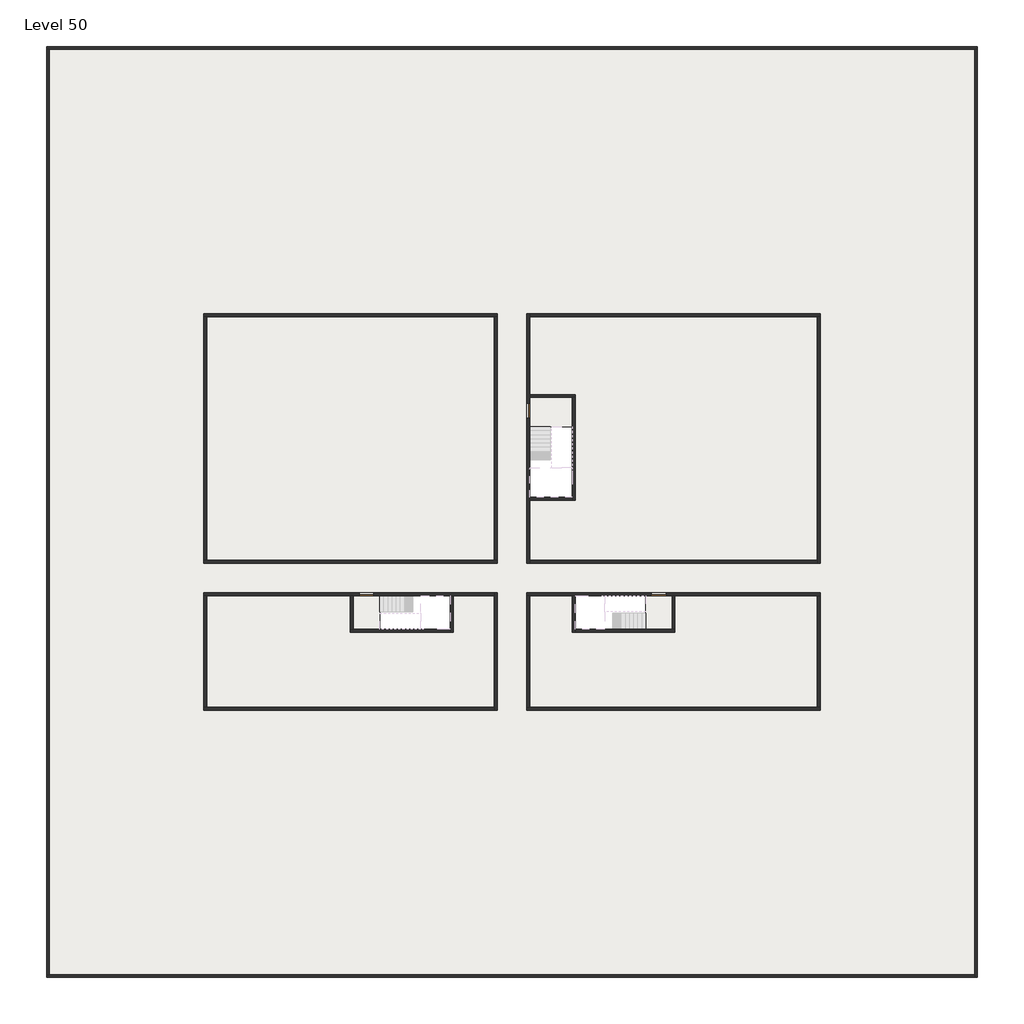
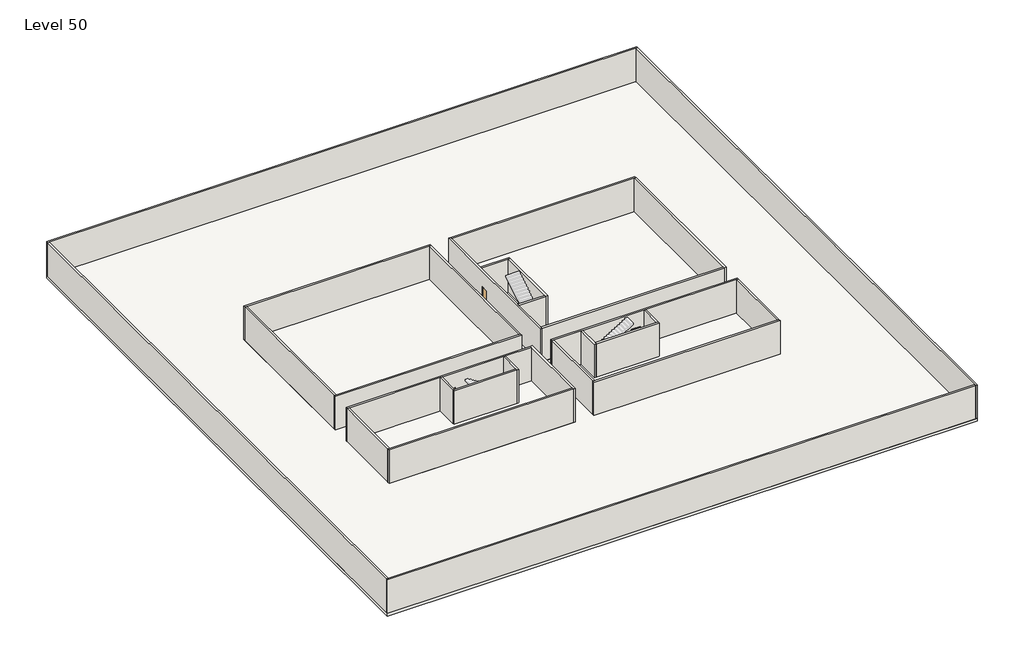
# One storey, part 1 of 2: 29 walls, 3 doors, 3 slabs.
"""IFC4 building model written with IfcOpenShell, lengths in millimetres."""

import ifcopenshell
import ifcopenshell.guid

model = None  # the IFC model being written
_history = None  # IfcOwnerHistory: only IFC2X3 demands one
_inside = {}  # id of a spatial element -> (the spatial element, [elements in it])
_under = {}  # id of a project, library or spatial element -> (it, [spatial elements below it])
_declared = {}  # id of a project -> (the project, [libraries it declares])
_typed = {}  # id of a type object -> (the type object, [elements of that type])
_made_of = {}  # id of a material, layer set ... -> (it, [elements and type objects made of it])


def new_model(schema):
    """Start an empty IFC model of exactly this schema.

    Asked for "IFC4X3", IfcOpenShell would pick the latest addendum, in which some entities
    have other attributes; the version numbers below select the first issue.
    IFC2X3 requires an IfcOwnerHistory on every rooted entity: one is made here for all.
    """
    global model, _history
    if schema == "IFC4X3":
        model = ifcopenshell.file(schema_version=(4, 3, 0, 0))
    else:
        model = ifcopenshell.file(schema=schema)
    _inside.clear()
    _under.clear()
    _declared.clear()
    _typed.clear()
    _made_of.clear()
    _history = None
    if model.schema == "IFC2X3":
        org = make("IfcOrganization", Name="unknown")
        user = make(
            "IfcPersonAndOrganization",
            ThePerson=make("IfcPerson", FamilyName="unknown"),
            TheOrganization=org,
        )
        app = make(
            "IfcApplication",
            ApplicationDeveloper=org,
            Version="unknown",
            ApplicationFullName="unknown",
            ApplicationIdentifier="unknown",
        )
        _history = make(
            "IfcOwnerHistory",
            OwningUser=user,
            OwningApplication=app,
            ChangeAction="ADDED",
            CreationDate=0,
        )
    return model


def make(cls, **values):
    """One entity of the class cls with the attributes given. An attribute that is None is left unset."""
    return model.create_entity(
        cls, **{name: value for name, value in values.items() if value is not None}
    )


def rooted(cls, **values):
    """An entity with a GlobalId (a new one), such as an element, a storey or a relation."""
    return make(cls, GlobalId=ifcopenshell.guid.new(), OwnerHistory=_history, **values)


def si_unit(unit_type, name, prefix=None):
    """IfcSIUnit, for example si_unit("LENGTHUNIT", "METRE", prefix="MILLI")."""
    return make("IfcSIUnit", UnitType=unit_type, Prefix=prefix, Name=name)


def assignment(units):
    """IfcUnitAssignment: the units of a project."""
    return None if units is None else make("IfcUnitAssignment", Units=units)


def point(xyz):
    """IfcCartesianPoint."""
    return None if xyz is None else make("IfcCartesianPoint", Coordinates=xyz)


def direction(xyz):
    """IfcDirection."""
    return None if xyz is None else make("IfcDirection", DirectionRatios=xyz)


def frame(location, z_axis=None, x_axis=None):
    """IfcAxis2Placement3D, a coordinate frame: its origin and axes. An axis left out is left unset."""
    return make(
        "IfcAxis2Placement3D",
        Location=point(location),
        Axis=direction(z_axis),
        RefDirection=direction(x_axis),
    )


def origin():
    """The frame at (0, 0, 0) with its axes left unset."""
    return frame((0.0, 0.0, 0.0))


def origin_with_axes():
    """The frame at (0, 0, 0) with the z axis (0, 0, 1) and the x axis (1, 0, 0) written out."""
    return frame((0.0, 0.0, 0.0), z_axis=(0.0, 0.0, 1.0), x_axis=(1.0, 0.0, 0.0))


def place(relative_to, where):
    """IfcLocalPlacement: puts the frame where relative to a parent placement (None: the world)."""
    return make(
        "IfcLocalPlacement", PlacementRelTo=relative_to, RelativePlacement=where
    )


def context(
    kind, dimensions, precision=None, world=None, true_north=None, identifier=None
):
    """IfcGeometricRepresentationContext, for example the 3D "Model" context."""
    return make(
        "IfcGeometricRepresentationContext",
        ContextIdentifier=identifier,
        ContextType=kind,
        CoordinateSpaceDimension=dimensions,
        Precision=precision,
        WorldCoordinateSystem=world,
        TrueNorth=true_north,
    )


def project(units=None, contexts=None):
    """IfcProject with its units and contexts."""
    return rooted(
        "IfcProject",
        Name="project",
        RepresentationContexts=contexts,
        UnitsInContext=assignment(units),
    )


def spatial(cls, under=None, at=None, **own):
    """A site, building, storey or space (cls), placed at a placement, below another one or the project."""
    s = rooted(cls, ObjectPlacement=at, **own)
    if under is not None:
        _under.setdefault(under.id(), (under, []))[1].append(s)
    return s


def polyline(points):
    """IfcPolyline through the points."""
    return make("IfcPolyline", Points=[point(p) for p in points])


def outline(outer, holes=None, kind="AREA"):
    """IfcArbitraryClosedProfileDef: a profile drawn as a closed curve; with holes, ...WithVoids."""
    if holes is None:
        return make("IfcArbitraryClosedProfileDef", ProfileType=kind, OuterCurve=outer)
    return make(
        "IfcArbitraryProfileDefWithVoids",
        ProfileType=kind,
        OuterCurve=outer,
        InnerCurves=holes,
    )


def extrude(swept, where, along, depth):
    """IfcExtrudedAreaSolid: the profile swept, set in the frame where, extruded along a direction by depth."""
    return make(
        "IfcExtrudedAreaSolid",
        SweptArea=swept,
        Position=where,
        ExtrudedDirection=direction(along),
        Depth=depth,
    )


def faces_of(points, faces, orient=None, outer=None):
    """IfcFace entities. A face is a list of loops; a loop is a list of indices into points, from 0.

    orient and outer hold one flag for each loop. By default every Orientation is true, the
    first loop of a face is its IfcFaceOuterBound and the others are IfcFaceBound.
    """
    made = []
    for i, loops in enumerate(faces):
        bounds = []
        for j, loop in enumerate(loops):
            is_outer = j == 0 if outer is None else outer[i][j]
            bounds.append(
                make(
                    "IfcFaceOuterBound" if is_outer else "IfcFaceBound",
                    Bound=make("IfcPolyLoop", Polygon=[points[k] for k in loop]),
                    Orientation=True if orient is None else orient[i][j],
                )
            )
        made.append(make("IfcFace", Bounds=bounds))
    return made


def faceted_brep(points, faces, orient=None, outer=None, voids=None):
    """IfcFacetedBrep: a solid bounded by flat faces; with voids (closed shells), ...WithVoids."""
    shared = [point(p) for p in points]
    hull = make("IfcClosedShell", CfsFaces=faces_of(shared, faces, orient, outer))
    if voids is None:
        return make("IfcFacetedBrep", Outer=hull)
    return make(
        "IfcFacetedBrepWithVoids",
        Outer=hull,
        Voids=[
            make(cls, CfsFaces=faces_of(shared, fs, o, b)) for cls, fs, o, b in voids
        ],
    )


def shape(context_of_items, identifier, shape_type, items):
    """IfcShapeRepresentation: the items that make up one representation, for example the "Body"."""
    return make(
        "IfcShapeRepresentation",
        ContextOfItems=context_of_items,
        RepresentationIdentifier=identifier,
        RepresentationType=shape_type,
        Items=items,
    )


def source(mapping_origin, context_of_items, identifier, shape_type, items):
    """IfcRepresentationMap: a shape defined once, which mapped items show again and again."""
    return make(
        "IfcRepresentationMap",
        MappingOrigin=mapping_origin,
        MappedRepresentation=shape(context_of_items, identifier, shape_type, items),
    )


def transform(
    local_origin,
    x_axis=None,
    y_axis=None,
    z_axis=None,
    scale=None,
    scale2=None,
    scale3=None,
    uniform=True,
):
    """IfcCartesianTransformationOperator3D, or its non-uniform kind. x_axis, y_axis, z_axis: its Axis1, 2, 3."""
    if uniform:
        return make(
            "IfcCartesianTransformationOperator3D",
            Axis1=direction(x_axis),
            Axis2=direction(y_axis),
            LocalOrigin=point(local_origin),
            Scale=scale,
            Axis3=direction(z_axis),
        )
    return make(
        "IfcCartesianTransformationOperator3DnonUniform",
        Axis1=direction(x_axis),
        Axis2=direction(y_axis),
        LocalOrigin=point(local_origin),
        Scale=scale,
        Axis3=direction(z_axis),
        Scale2=scale2,
        Scale3=scale3,
    )


def mapped(mapping_source, mapping_target):
    """IfcMappedItem: shows the shape of a source again, moved by a transform."""
    return make(
        "IfcMappedItem", MappingSource=mapping_source, MappingTarget=mapping_target
    )


def made_of(thing, what):
    """Note that an element or type object is made of a material, layer set ...; save() writes the relation."""
    if what is not None:
        _made_of.setdefault(what.id(), (what, []))[1].append(thing)
    return thing


def element(
    cls,
    number,
    at=None,
    inside=None,
    cuts=None,
    type_object=None,
    material=None,
    context=None,
    identifier="Body",
    shape_type=None,
    held_by="IfcProductDefinitionShape",
    body=None,
    shapes=None,
    **own,
):
    """One element of the class cls, such as IfcWall. Its Tag is "e" and its number.

    at: its placement. inside: the storey or other place that contains it. cuts: it is an
    opening in that element (IfcRelVoidsElement). A single representation is given by context,
    identifier, shape_type and body (its items); several are given by shapes. held_by: the class
    of the entity that holds the representations. save() writes the other relations.
    """
    e = rooted(cls, Tag="e%d" % number, ObjectPlacement=at, **own)
    if body is not None:
        shapes = [shape(context, identifier, shape_type, body)]
    if shapes is not None:
        e.Representation = make(held_by, Representations=shapes)
    if inside is not None:
        _inside.setdefault(inside.id(), (inside, []))[1].append(e)
    if cuts is not None:
        rooted(
            "IfcRelVoidsElement", RelatingBuildingElement=cuts, RelatedOpeningElement=e
        )
    if type_object is not None:
        _typed.setdefault(type_object.id(), (type_object, []))[1].append(e)
    return made_of(e, material)


def aggregate(whole, parts):
    """IfcRelAggregates: a whole, such as a stair, and the parts it consists of."""
    return rooted("IfcRelAggregates", RelatingObject=whole, RelatedObjects=parts)


def save(model, path):
    """Write the relations noted so far, then the file.

    IfcRelAggregates (storeys below a building ...), IfcRelContainedInSpatialStructure (elements
    in a storey), IfcRelDefinesByType, IfcRelAssociatesMaterial and IfcRelDeclares: one each for
    every whole, place, type object, material and project.
    """
    for whole, parts in _under.values():
        aggregate(whole, parts)
    for where, things in _inside.values():
        rooted(
            "IfcRelContainedInSpatialStructure",
            RelatedElements=things,
            RelatingStructure=where,
        )
    for kind, things in _typed.values():
        rooted("IfcRelDefinesByType", RelatedObjects=things, RelatingType=kind)
    for what, things in _made_of.values():
        rooted("IfcRelAssociatesMaterial", RelatedObjects=things, RelatingMaterial=what)
    for by, libraries in _declared.values():
        rooted("IfcRelDeclares", RelatingContext=by, RelatedDefinitions=libraries)
    model.write(path)


def door_fb3c37fd(model_context):
    return source(origin(), model_context, "Body", "SweptSolid", [
        extrude(outline(polyline([(500.0, 49.0), (-500.0, 49.0), (-500.0, 100.0), (500.0, 100.0), (500.0, 49.0)])), origin_with_axes(), (0.0, 0.0, 1.0), 2100.0),
    ])


def door_0317a72c(model_context):
    return source(origin(), model_context, "Body", "SweptSolid", [
        extrude(outline(polyline([(500.0, -49.0), (500.0, -100.0), (-500.0, -100.0), (-500.0, -49.0), (500.0, -49.0)])), origin_with_axes(), (0.0, 0.0, 1.0), 2100.0),
    ])


model = new_model("IFC4")

# Units and contexts
model_context = context("Model", 3, world=origin())
ifc_project = project(units=[si_unit("LENGTHUNIT", "METRE", prefix="MILLI")], contexts=[model_context])

# Site, building, storey
site = spatial("IfcSite", under=ifc_project)
building = spatial("IfcBuilding", under=site)
storey = spatial("IfcBuildingStorey", under=building, Name="Level 50", Elevation=186200.0)

# Doors
placement = place(None, origin())
door_shape = door_fb3c37fd(model_context)
element("IfcDoor", 1, at=placement, inside=storey, context=model_context, shape_type="MappedRepresentation", body=[
    mapped(door_shape, transform((14290.1058784, -42818.09644, 186200.0), x_axis=(-1.0, 0.0, 0.0), y_axis=(0.0, -1.0, 0.0), z_axis=(0.0, 0.0, 1.0))),
])
door_2_shape = door_0317a72c(model_context)
element("IfcDoor", 2, at=placement, inside=storey, context=model_context, shape_type="MappedRepresentation", body=[
    mapped(door_2_shape, transform((25290.1058784, -30318.09644, 186200.0), x_axis=(0.0, 1.0, 0.0), y_axis=(-1.0, 0.0, 0.0), z_axis=(0.0, 0.0, 1.0))),
])
element("IfcDoor", 3, at=placement, inside=storey, context=model_context, shape_type="MappedRepresentation", body=[
    mapped(door_2_shape, transform((34190.1058784, -42818.09644, 186200.0), x_axis=(1.0, 0.0, 0.0), y_axis=(0.0, 1.0, 0.0), z_axis=(0.0, 0.0, 1.0))),
])

# Slabs
element("IfcSlab", 4, at=placement, inside=storey, context=model_context, shape_type="SweptSolid", body=[
    extrude(outline(polyline([(55890.1058784, -5518.09644), (55890.1058784, -68918.09644), (-7509.8941216, -68918.09644), (-7509.8941216, -5518.09644), (55890.1058784, -5518.09644)]), holes=[polyline([(23190.1058784, -23718.09644), (3190.1058784, -23718.09644), (3190.1058784, -40718.09644), (23190.1058784, -40718.09644), (23190.1058784, -23718.09644)]), polyline([(45190.1058784, -23718.09644), (25190.1058784, -23718.09644), (25190.1058784, -40718.09644), (45190.1058784, -40718.09644), (45190.1058784, -23718.09644)]), polyline([(23190.1058784, -50718.09644), (23190.1058784, -42718.09644), (3390.1058784, -42718.09644), (3390.1058784, -50718.09644), (23190.1058784, -50718.09644)]), polyline([(25190.1058784, -50718.09644), (45190.1058784, -50718.09644), (45190.1058784, -42718.09644), (25190.1058784, -42718.09644), (25190.1058784, -50718.09644)])]), frame((0.0, 0.0, 185900.0), z_axis=(0.0, 0.0, 1.0), x_axis=(1.0, 0.0, 0.0)), (0.0, 0.0, 1.0), 300.0),
])
element("IfcSlab", 5, at=placement, inside=storey, context=model_context, shape_type="SweptSolid", body=[
    extrude(outline(polyline([(22990.1058784, -23918.09644), (22990.1058784, -40518.09644), (3390.1058784, -40518.09644), (3390.1058784, -23918.09644), (22990.1058784, -23918.09644)])), frame((0.0, 0.0, 185900.0), z_axis=(0.0, 0.0, 1.0), x_axis=(1.0, 0.0, 0.0)), (0.0, 0.0, 1.0), 300.0),
    extrude(outline(polyline([(44990.1058784, -23918.09644), (44990.1058784, -40518.09644), (25390.1058784, -40518.09644), (25390.1058784, -36418.09644), (28490.1058784, -36418.09644), (28490.1058784, -29218.09644), (25390.1058784, -29218.09644), (25390.1058784, -23918.09644), (44990.1058784, -23918.09644)])), frame((0.0, 0.0, 185900.0), z_axis=(0.0, 0.0, 1.0), x_axis=(1.0, 0.0, 0.0)), (0.0, 0.0, 1.0), 300.0),
    extrude(outline(polyline([(22990.1058784, -42918.09644), (22990.1058784, -50518.09644), (3390.1058784, -50518.09644), (3390.1058784, -42918.09644), (13190.1058784, -42918.09644), (13190.1058784, -45418.09644), (20190.1058784, -45418.09644), (20190.1058784, -42918.09644), (22990.1058784, -42918.09644)])), frame((0.0, 0.0, 185900.0), z_axis=(0.0, 0.0, 1.0), x_axis=(1.0, 0.0, 0.0)), (0.0, 0.0, 1.0), 300.0),
    extrude(outline(polyline([(28290.1058784, -42918.09644), (28290.1058784, -45418.09644), (35290.1058784, -45418.09644), (35290.1058784, -42918.09644), (45090.1058784, -42918.09644), (45090.1058784, -50518.09644), (25390.1058784, -50518.09644), (25390.1058784, -42918.09644), (28290.1058784, -42918.09644)])), frame((0.0, 0.0, 185900.0), z_axis=(0.0, 0.0, 1.0), x_axis=(1.0, 0.0, 0.0)), (0.0, 0.0, 1.0), 300.0),
])
element("IfcSlab", 6, at=placement, inside=storey, context=model_context, shape_type="SweptSolid", body=[
    extrude(outline(polyline([(25190.1058784, -29418.09644), (28290.1058784, -29418.09644), (28290.1058784, -31418.09644), (25190.1058784, -31418.09644), (25190.1058784, -29418.09644)])), frame((0.0, 0.0, 185900.0), z_axis=(0.0, 0.0, 1.0), x_axis=(1.0, 0.0, 0.0)), (0.0, 0.0, 1.0), 300.0),
    extrude(outline(polyline([(15190.1058784, -45218.09644), (13390.1058784, -45218.09644), (13390.1058784, -42718.09644), (15190.1058784, -42718.09644), (15190.1058784, -45218.09644)])), frame((0.0, 0.0, 185900.0), z_axis=(0.0, 0.0, 1.0), x_axis=(1.0, 0.0, 0.0)), (0.0, 0.0, 1.0), 300.0),
    extrude(outline(polyline([(35090.1058784, -45218.09644), (33290.1058784, -45218.09644), (33290.1058784, -42718.09644), (35090.1058784, -42718.09644), (35090.1058784, -45218.09644)])), frame((0.0, 0.0, 185900.0), z_axis=(0.0, 0.0, 1.0), x_axis=(1.0, 0.0, 0.0)), (0.0, 0.0, 1.0), 300.0),
])

# Walls
element("IfcWall", 7, at=placement, inside=storey, context=model_context, shape_type="Brep", body=[
    faceted_brep([(-7509.8941216, -5718.09644, 186200.0), (-7309.8941216, -5718.09644, 186200.0), (55690.1058784, -5718.09644, 186200.0), (55890.1058784, -5718.09644, 186200.0), (55890.1058784, -5718.09644, 190000.0), (55690.1058784, -5718.09644, 190000.0), (-7309.8941216, -5718.09644, 190000.0), (-7509.8941216, -5718.09644, 190000.0), (-7509.8941216, -5518.09644, 186200.0), (-7509.8941216, -5518.09644, 190000.0), (55890.1058784, -5518.09644, 190000.0), (55890.1058784, -5518.09644, 186200.0)], [[[0, 1, 2, 3, 4, 5, 6, 7]], [[8, 9, 10, 11]], [[3, 2, 1, 0, 8, 11]], [[7, 6, 5, 4, 10, 9]], [[4, 3, 11, 10]], [[0, 7, 9, 8]]]),
])
element("IfcWall", 8, at=placement, inside=storey, context=model_context, shape_type="Brep", body=[
    faceted_brep([(55690.1058784, -5718.09644, 186200.0), (55690.1058784, -68718.09644, 186200.0), (55690.1058784, -68918.09644, 186200.0), (55690.1058784, -68918.09644, 190000.0), (55690.1058784, -68718.09644, 190000.0), (55690.1058784, -5718.09644, 190000.0), (55890.1058784, -5718.09644, 186200.0), (55890.1058784, -5718.09644, 190000.0), (55890.1058784, -68918.09644, 190000.0), (55890.1058784, -68918.09644, 186200.0)], [[[0, 1, 2, 3, 4, 5]], [[6, 7, 8, 9]], [[2, 1, 0, 6, 9]], [[5, 4, 3, 8, 7]], [[0, 5, 7, 6]], [[3, 2, 9, 8]]]),
])
element("IfcWall", 9, at=placement, inside=storey, context=model_context, shape_type="Brep", body=[
    faceted_brep([(55690.1058784, -68718.09644, 186200.0), (-7309.8941216, -68718.09644, 186200.0), (-7509.8941216, -68718.09644, 186200.0), (-7509.8941216, -68718.09644, 190000.0), (-7309.8941216, -68718.09644, 190000.0), (55690.1058784, -68718.09644, 190000.0), (55690.1058784, -68918.09644, 186200.0), (55690.1058784, -68918.09644, 190000.0), (-7509.8941216, -68918.09644, 190000.0), (-7509.8941216, -68918.09644, 186200.0)], [[[0, 1, 2, 3, 4, 5]], [[6, 7, 8, 9]], [[2, 1, 0, 6, 9]], [[5, 4, 3, 8, 7]], [[0, 5, 7, 6]], [[3, 2, 9, 8]]]),
])
element("IfcWall", 10, at=placement, inside=storey, context=model_context, shape_type="SweptSolid", body=[
    extrude(outline(polyline([(-7309.8941216, -5718.09644), (-7309.8941216, -68718.09644), (-7509.8941216, -68718.09644), (-7509.8941216, -5718.09644), (-7309.8941216, -5718.09644)])), frame((0.0, 0.0, 186200.0), z_axis=(0.0, 0.0, 1.0), x_axis=(1.0, 0.0, 0.0)), (0.0, 0.0, 1.0), 3800.0),
])
element("IfcWall", 11, at=placement, inside=storey, context=model_context, shape_type="Brep", body=[
    faceted_brep([(3190.1058784, -23918.09644, 186200.0), (3390.1058784, -23918.09644, 186200.0), (22990.1058784, -23918.09644, 186200.0), (23190.1058784, -23918.09644, 186200.0), (23190.1058784, -23918.09644, 190000.0), (22990.1058784, -23918.09644, 190000.0), (3390.1058784, -23918.09644, 190000.0), (3190.1058784, -23918.09644, 190000.0), (3190.1058784, -23718.09644, 186200.0), (3190.1058784, -23718.09644, 190000.0), (23190.1058784, -23718.09644, 190000.0), (23190.1058784, -23718.09644, 186200.0)], [[[0, 1, 2, 3, 4, 5, 6, 7]], [[8, 9, 10, 11]], [[3, 2, 1, 0, 8, 11]], [[7, 6, 5, 4, 10, 9]], [[0, 7, 9, 8]], [[4, 3, 11, 10]]]),
])
element("IfcWall", 12, at=placement, inside=storey, context=model_context, shape_type="Brep", body=[
    faceted_brep([(44990.1058784, -23918.09644, 186200.0), (44990.1058784, -40518.09644, 186200.0), (44990.1058784, -40718.09644, 186200.0), (44990.1058784, -40718.09644, 190000.0), (44990.1058784, -40518.09644, 190000.0), (44990.1058784, -23918.09644, 190000.0), (45190.1058784, -23918.09644, 186200.0), (45190.1058784, -23918.09644, 190000.0), (45190.1058784, -40718.09644, 190000.0), (45190.1058784, -40718.09644, 186200.0)], [[[0, 1, 2, 3, 4, 5]], [[6, 7, 8, 9]], [[2, 1, 0, 6, 9]], [[5, 4, 3, 8, 7]], [[0, 5, 7, 6]], [[3, 2, 9, 8]]]),
])
element("IfcWall", 13, at=placement, inside=storey, context=model_context, shape_type="Brep", body=[
    faceted_brep([(45190.1058784, -50518.09644, 186200.0), (44990.1058784, -50518.09644, 186200.0), (25390.1058784, -50518.09644, 186200.0), (25190.1058784, -50518.09644, 186200.0), (25190.1058784, -50518.09644, 190000.0), (25390.1058784, -50518.09644, 190000.0), (44990.1058784, -50518.09644, 190000.0), (45190.1058784, -50518.09644, 190000.0), (45190.1058784, -50718.09644, 186200.0), (45190.1058784, -50718.09644, 190000.0), (25190.1058784, -50718.09644, 190000.0), (25190.1058784, -50718.09644, 186200.0)], [[[0, 1, 2, 3, 4, 5, 6, 7]], [[8, 9, 10, 11]], [[3, 2, 1, 0, 8, 11]], [[7, 6, 5, 4, 10, 9]], [[4, 3, 11, 10]], [[0, 7, 9, 8]]]),
])
element("IfcWall", 14, at=placement, inside=storey, context=model_context, shape_type="SweptSolid", body=[
    extrude(outline(polyline([(22990.1058784, -40518.09644), (22990.1058784, -23918.09644), (23190.1058784, -23918.09644), (23190.1058784, -40518.09644), (22990.1058784, -40518.09644)])), frame((0.0, 0.0, 186200.0), z_axis=(0.0, 0.0, 1.0), x_axis=(1.0, 0.0, 0.0)), (0.0, 0.0, 1.0), 3800.0),
])
element("IfcWall", 15, at=placement, inside=storey, context=model_context, shape_type="Brep", body=[
    faceted_brep([(23190.1058784, -40518.09644, 186200.0), (22990.1058784, -40518.09644, 186200.0), (3390.1058784, -40518.09644, 186200.0), (3190.1058784, -40518.09644, 186200.0), (3190.1058784, -40518.09644, 190000.0), (3390.1058784, -40518.09644, 190000.0), (22990.1058784, -40518.09644, 190000.0), (23190.1058784, -40518.09644, 190000.0), (23190.1058784, -40718.09644, 186200.0), (23190.1058784, -40718.09644, 190000.0), (3190.1058784, -40718.09644, 190000.0), (3190.1058784, -40718.09644, 186200.0)], [[[0, 1, 2, 3, 4, 5, 6, 7]], [[8, 9, 10, 11]], [[3, 2, 1, 0, 8, 11]], [[7, 6, 5, 4, 10, 9]], [[4, 3, 11, 10]], [[0, 7, 9, 8]]]),
])
element("IfcWall", 16, at=placement, inside=storey, context=model_context, shape_type="Brep", body=[
    faceted_brep([(3190.1058784, -42918.09644, 186200.0), (3390.1058784, -42918.09644, 186200.0), (13190.1058784, -42918.09644, 186200.0), (13390.1058784, -42918.09644, 186200.0), (13790.1058784, -42918.09644, 186200.0), (13790.1058784, -42918.09644, 188300.0), (14790.1058784, -42918.09644, 188300.0), (14790.1058784, -42918.09644, 186200.0), (19990.1058784, -42918.09644, 186200.0), (20190.1058784, -42918.09644, 186200.0), (22990.1058784, -42918.09644, 186200.0), (22990.1058784, -42918.09644, 190000.0), (20190.1058784, -42918.09644, 190000.0), (19990.1058784, -42918.09644, 190000.0), (13390.1058784, -42918.09644, 190000.0), (13190.1058784, -42918.09644, 190000.0), (3390.1058784, -42918.09644, 190000.0), (3190.1058784, -42918.09644, 190000.0), (13790.1058784, -42718.09644, 188300.0), (13790.1058784, -42718.09644, 186200.0), (3190.1058784, -42718.09644, 186200.0), (3190.1058784, -42718.09644, 190000.0), (22990.1058784, -42718.09644, 190000.0), (22990.1058784, -42718.09644, 186200.0), (14790.1058784, -42718.09644, 186200.0), (14790.1058784, -42718.09644, 188300.0)], [[[0, 1, 2, 3, 4, 5, 6, 7, 8, 9, 10, 11, 12, 13, 14, 15, 16, 17]], [[18, 19, 20, 21, 22, 23, 24, 25]], [[24, 23, 10, 9, 8, 7]], [[20, 19, 4, 3, 2, 1, 0]], [[17, 16, 15, 14, 13, 12, 11, 22, 21]], [[0, 17, 21, 20]], [[11, 10, 23, 22]], [[5, 4, 19, 18]], [[6, 5, 18, 25]], [[7, 6, 25, 24]]]),
])
element("IfcWall", 17, at=placement, inside=storey, context=model_context, shape_type="SweptSolid", body=[
    extrude(outline(polyline([(25390.1058784, -40518.09644), (44990.1058784, -40518.09644), (44990.1058784, -40718.09644), (25390.1058784, -40718.09644), (25390.1058784, -40518.09644)])), frame((0.0, 0.0, 186200.0), z_axis=(0.0, 0.0, 1.0), x_axis=(1.0, 0.0, 0.0)), (0.0, 0.0, 1.0), 3800.0),
])
element("IfcWall", 18, at=placement, inside=storey, context=model_context, shape_type="Brep", body=[
    faceted_brep([(25390.1058784, -29818.09644, 188300.0), (25390.1058784, -29818.09644, 186200.0), (25390.1058784, -29418.09644, 186200.0), (25390.1058784, -29218.09644, 186200.0), (25390.1058784, -23918.09644, 186200.0), (25390.1058784, -23718.09644, 186200.0), (25390.1058784, -23718.09644, 190000.0), (25390.1058784, -23918.09644, 190000.0), (25390.1058784, -29218.09644, 190000.0), (25390.1058784, -29418.09644, 190000.0), (25390.1058784, -36218.09644, 190000.0), (25390.1058784, -36418.09644, 190000.0), (25390.1058784, -40518.09644, 190000.0), (25390.1058784, -40718.09644, 190000.0), (25390.1058784, -40718.09644, 186200.0), (25390.1058784, -40518.09644, 186200.0), (25390.1058784, -36418.09644, 186200.0), (25390.1058784, -36218.09644, 186200.0), (25390.1058784, -30818.09644, 186200.0), (25390.1058784, -30818.09644, 188300.0), (25190.1058784, -23718.09644, 186200.0), (25190.1058784, -29818.09644, 186200.0), (25190.1058784, -29818.09644, 188300.0), (25190.1058784, -30818.09644, 188300.0), (25190.1058784, -30818.09644, 186200.0), (25190.1058784, -40718.09644, 186200.0), (25190.1058784, -40718.09644, 190000.0), (25190.1058784, -23718.09644, 190000.0)], [[[0, 1, 2, 3, 4, 5, 6, 7, 8, 9, 10, 11, 12, 13, 14, 15, 16, 17, 18, 19]], [[20, 21, 22, 23, 24, 25, 26, 27]], [[5, 4, 3, 2, 1, 21, 20]], [[18, 17, 16, 15, 14, 25, 24]], [[13, 12, 11, 10, 9, 8, 7, 6, 27, 26]], [[14, 13, 26, 25]], [[6, 5, 20, 27]], [[22, 21, 1, 0]], [[23, 22, 0, 19]], [[24, 23, 19, 18]]]),
])
element("IfcWall", 19, at=placement, inside=storey, context=model_context, shape_type="SweptSolid", body=[
    extrude(outline(polyline([(3390.1058784, -23918.09644), (3390.1058784, -40518.09644), (3190.1058784, -40518.09644), (3190.1058784, -23918.09644), (3390.1058784, -23918.09644)])), frame((0.0, 0.0, 186200.0), z_axis=(0.0, 0.0, 1.0), x_axis=(1.0, 0.0, 0.0)), (0.0, 0.0, 1.0), 3800.0),
])
element("IfcWall", 20, at=placement, inside=storey, context=model_context, shape_type="Brep", body=[
    faceted_brep([(25390.1058784, -23918.09644, 186200.0), (44990.1058784, -23918.09644, 186200.0), (45190.1058784, -23918.09644, 186200.0), (45190.1058784, -23918.09644, 190000.0), (44990.1058784, -23918.09644, 190000.0), (25390.1058784, -23918.09644, 190000.0), (25390.1058784, -23718.09644, 186200.0), (25390.1058784, -23718.09644, 190000.0), (45190.1058784, -23718.09644, 190000.0), (45190.1058784, -23718.09644, 186200.0)], [[[0, 1, 2, 3, 4, 5]], [[6, 7, 8, 9]], [[2, 1, 0, 6, 9]], [[5, 4, 3, 8, 7]], [[3, 2, 9, 8]], [[0, 5, 7, 6]]]),
])
element("IfcWall", 21, at=placement, inside=storey, context=model_context, shape_type="Brep", body=[
    faceted_brep([(25390.1058784, -29418.09644, 186200.0), (28290.1058784, -29418.09644, 186200.0), (28490.1058784, -29418.09644, 186200.0), (28490.1058784, -29418.09644, 190000.0), (28290.1058784, -29418.09644, 190000.0), (25390.1058784, -29418.09644, 190000.0), (25390.1058784, -29218.09644, 186200.0), (25390.1058784, -29218.09644, 190000.0), (28490.1058784, -29218.09644, 190000.0), (28490.1058784, -29218.09644, 186200.0)], [[[0, 1, 2, 3, 4, 5]], [[6, 7, 8, 9]], [[2, 1, 0, 6, 9]], [[5, 4, 3, 8, 7]], [[3, 2, 9, 8]], [[0, 5, 7, 6]]]),
])
element("IfcWall", 22, at=placement, inside=storey, context=model_context, shape_type="Brep", body=[
    faceted_brep([(28290.1058784, -29418.09644, 186200.0), (28290.1058784, -36218.09644, 186200.0), (28290.1058784, -36418.09644, 186200.0), (28290.1058784, -36418.09644, 190000.0), (28290.1058784, -36218.09644, 190000.0), (28290.1058784, -29418.09644, 190000.0), (28490.1058784, -29418.09644, 186200.0), (28490.1058784, -29418.09644, 190000.0), (28490.1058784, -36418.09644, 190000.0), (28490.1058784, -36418.09644, 186200.0)], [[[0, 1, 2, 3, 4, 5]], [[6, 7, 8, 9]], [[2, 1, 0, 6, 9]], [[5, 4, 3, 8, 7]], [[3, 2, 9, 8]], [[0, 5, 7, 6]]]),
])
element("IfcWall", 23, at=placement, inside=storey, context=model_context, shape_type="SweptSolid", body=[
    extrude(outline(polyline([(25390.1058784, -36218.09644), (28290.1058784, -36218.09644), (28290.1058784, -36418.09644), (25390.1058784, -36418.09644), (25390.1058784, -36218.09644)])), frame((0.0, 0.0, 186200.0), z_axis=(0.0, 0.0, 1.0), x_axis=(1.0, 0.0, 0.0)), (0.0, 0.0, 1.0), 3800.0),
])
element("IfcWall", 24, at=placement, inside=storey, context=model_context, shape_type="SweptSolid", body=[
    extrude(outline(polyline([(25190.1058784, -50518.09644), (25190.1058784, -42918.09644), (25390.1058784, -42918.09644), (25390.1058784, -50518.09644), (25190.1058784, -50518.09644)])), frame((0.0, 0.0, 186200.0), z_axis=(0.0, 0.0, 1.0), x_axis=(1.0, 0.0, 0.0)), (0.0, 0.0, 1.0), 3800.0),
])
element("IfcWall", 25, at=placement, inside=storey, context=model_context, shape_type="Brep", body=[
    faceted_brep([(22990.1058784, -42718.09644, 186200.0), (22990.1058784, -42918.09644, 186200.0), (22990.1058784, -50518.09644, 186200.0), (22990.1058784, -50718.09644, 186200.0), (22990.1058784, -50718.09644, 190000.0), (22990.1058784, -50518.09644, 190000.0), (22990.1058784, -42918.09644, 190000.0), (22990.1058784, -42718.09644, 190000.0), (23190.1058784, -42718.09644, 186200.0), (23190.1058784, -42718.09644, 190000.0), (23190.1058784, -50718.09644, 190000.0), (23190.1058784, -50718.09644, 186200.0)], [[[0, 1, 2, 3, 4, 5, 6, 7]], [[8, 9, 10, 11]], [[3, 2, 1, 0, 8, 11]], [[7, 6, 5, 4, 10, 9]], [[4, 3, 11, 10]], [[0, 7, 9, 8]]]),
])
element("IfcWall", 26, at=placement, inside=storey, context=model_context, shape_type="Brep", body=[
    faceted_brep([(34690.1058784, -42918.09644, 188300.0), (34690.1058784, -42918.09644, 186200.0), (35090.1058784, -42918.09644, 186200.0), (35290.1058784, -42918.09644, 186200.0), (44990.1058784, -42918.09644, 186200.0), (45190.1058784, -42918.09644, 186200.0), (45190.1058784, -42918.09644, 190000.0), (44990.1058784, -42918.09644, 190000.0), (35290.1058784, -42918.09644, 190000.0), (35090.1058784, -42918.09644, 190000.0), (28490.1058784, -42918.09644, 190000.0), (28290.1058784, -42918.09644, 190000.0), (25390.1058784, -42918.09644, 190000.0), (25190.1058784, -42918.09644, 190000.0), (25190.1058784, -42918.09644, 186200.0), (25390.1058784, -42918.09644, 186200.0), (28290.1058784, -42918.09644, 186200.0), (28490.1058784, -42918.09644, 186200.0), (33690.1058784, -42918.09644, 186200.0), (33690.1058784, -42918.09644, 188300.0), (45190.1058784, -42718.09644, 186200.0), (34690.1058784, -42718.09644, 186200.0), (34690.1058784, -42718.09644, 188300.0), (33690.1058784, -42718.09644, 188300.0), (33690.1058784, -42718.09644, 186200.0), (25190.1058784, -42718.09644, 186200.0), (25190.1058784, -42718.09644, 190000.0), (45190.1058784, -42718.09644, 190000.0)], [[[0, 1, 2, 3, 4, 5, 6, 7, 8, 9, 10, 11, 12, 13, 14, 15, 16, 17, 18, 19]], [[20, 21, 22, 23, 24, 25, 26, 27]], [[5, 4, 3, 2, 1, 21, 20]], [[18, 17, 16, 15, 14, 25, 24]], [[13, 12, 11, 10, 9, 8, 7, 6, 27, 26]], [[14, 13, 26, 25]], [[6, 5, 20, 27]], [[22, 21, 1, 0]], [[23, 22, 0, 19]], [[24, 23, 19, 18]]]),
])
element("IfcWall", 27, at=placement, inside=storey, context=model_context, shape_type="Brep", body=[
    faceted_brep([(22990.1058784, -50518.09644, 186200.0), (3390.1058784, -50518.09644, 186200.0), (3190.1058784, -50518.09644, 186200.0), (3190.1058784, -50518.09644, 190000.0), (3390.1058784, -50518.09644, 190000.0), (22990.1058784, -50518.09644, 190000.0), (22990.1058784, -50718.09644, 186200.0), (22990.1058784, -50718.09644, 190000.0), (3190.1058784, -50718.09644, 190000.0), (3190.1058784, -50718.09644, 186200.0)], [[[0, 1, 2, 3, 4, 5]], [[6, 7, 8, 9]], [[2, 1, 0, 6, 9]], [[5, 4, 3, 8, 7]], [[0, 5, 7, 6]], [[3, 2, 9, 8]]]),
])
element("IfcWall", 28, at=placement, inside=storey, context=model_context, shape_type="Brep", body=[
    faceted_brep([(28290.1058784, -42918.09644, 186200.0), (28290.1058784, -45418.09644, 186200.0), (28290.1058784, -45418.09644, 190000.0), (28290.1058784, -42918.09644, 190000.0), (28490.1058784, -42918.09644, 186200.0), (28490.1058784, -42918.09644, 190000.0), (28490.1058784, -45218.09644, 190000.0), (28490.1058784, -45418.09644, 190000.0), (28490.1058784, -45418.09644, 186200.0), (28490.1058784, -45218.09644, 186200.0)], [[[0, 1, 2, 3]], [[4, 5, 6, 7, 8, 9]], [[1, 0, 4, 9, 8]], [[3, 2, 7, 6, 5]], [[2, 1, 8, 7]], [[0, 3, 5, 4]]]),
])
element("IfcWall", 29, at=placement, inside=storey, context=model_context, shape_type="Brep", body=[
    faceted_brep([(28490.1058784, -45418.09644, 186200.0), (35290.1058784, -45418.09644, 186200.0), (35290.1058784, -45418.09644, 190000.0), (28490.1058784, -45418.09644, 190000.0), (28490.1058784, -45218.09644, 186200.0), (28490.1058784, -45218.09644, 190000.0), (35090.1058784, -45218.09644, 190000.0), (35290.1058784, -45218.09644, 190000.0), (35290.1058784, -45218.09644, 186200.0), (35090.1058784, -45218.09644, 186200.0)], [[[0, 1, 2, 3]], [[4, 5, 6, 7, 8, 9]], [[1, 0, 4, 9, 8]], [[3, 2, 7, 6, 5]], [[0, 3, 5, 4]], [[2, 1, 8, 7]]]),
])
element("IfcWall", 30, at=placement, inside=storey, context=model_context, shape_type="SweptSolid", body=[
    extrude(outline(polyline([(35290.1058784, -42918.09644), (35290.1058784, -45218.09644), (35090.1058784, -45218.09644), (35090.1058784, -42918.09644), (35290.1058784, -42918.09644)])), frame((0.0, 0.0, 186200.0), z_axis=(0.0, 0.0, 1.0), x_axis=(1.0, 0.0, 0.0)), (0.0, 0.0, 1.0), 3800.0),
])
element("IfcWall", 31, at=placement, inside=storey, context=model_context, shape_type="Brep", body=[
    faceted_brep([(19990.1058784, -42918.09644, 186200.0), (19990.1058784, -45218.09644, 186200.0), (19990.1058784, -45418.09644, 186200.0), (19990.1058784, -45418.09644, 190000.0), (19990.1058784, -45218.09644, 190000.0), (19990.1058784, -42918.09644, 190000.0), (20190.1058784, -42918.09644, 186200.0), (20190.1058784, -42918.09644, 190000.0), (20190.1058784, -45418.09644, 190000.0), (20190.1058784, -45418.09644, 186200.0)], [[[0, 1, 2, 3, 4, 5]], [[6, 7, 8, 9]], [[2, 1, 0, 6, 9]], [[5, 4, 3, 8, 7]], [[3, 2, 9, 8]], [[0, 5, 7, 6]]]),
])
element("IfcWall", 32, at=placement, inside=storey, context=model_context, shape_type="Brep", body=[
    faceted_brep([(19990.1058784, -45218.09644, 186200.0), (13390.1058784, -45218.09644, 186200.0), (13190.1058784, -45218.09644, 186200.0), (13190.1058784, -45218.09644, 190000.0), (13390.1058784, -45218.09644, 190000.0), (19990.1058784, -45218.09644, 190000.0), (19990.1058784, -45418.09644, 186200.0), (19990.1058784, -45418.09644, 190000.0), (13190.1058784, -45418.09644, 190000.0), (13190.1058784, -45418.09644, 186200.0)], [[[0, 1, 2, 3, 4, 5]], [[6, 7, 8, 9]], [[2, 1, 0, 6, 9]], [[5, 4, 3, 8, 7]], [[0, 5, 7, 6]], [[3, 2, 9, 8]]]),
])
element("IfcWall", 33, at=placement, inside=storey, context=model_context, shape_type="SweptSolid", body=[
    extrude(outline(polyline([(13390.1058784, -42918.09644), (13390.1058784, -45218.09644), (13190.1058784, -45218.09644), (13190.1058784, -42918.09644), (13390.1058784, -42918.09644)])), frame((0.0, 0.0, 186200.0), z_axis=(0.0, 0.0, 1.0), x_axis=(1.0, 0.0, 0.0)), (0.0, 0.0, 1.0), 3800.0),
])
element("IfcWall", 34, at=placement, inside=storey, context=model_context, shape_type="SweptSolid", body=[
    extrude(outline(polyline([(45190.1058784, -42918.09644), (45190.1058784, -50518.09644), (44990.1058784, -50518.09644), (44990.1058784, -42918.09644), (45190.1058784, -42918.09644)])), frame((0.0, 0.0, 186200.0), z_axis=(0.0, 0.0, 1.0), x_axis=(1.0, 0.0, 0.0)), (0.0, 0.0, 1.0), 3800.0),
])
element("IfcWall", 35, at=placement, inside=storey, context=model_context, shape_type="SweptSolid", body=[
    extrude(outline(polyline([(3390.1058784, -42918.09644), (3390.1058784, -50518.09644), (3190.1058784, -50518.09644), (3190.1058784, -42918.09644), (3390.1058784, -42918.09644)])), frame((0.0, 0.0, 186200.0), z_axis=(0.0, 0.0, 1.0), x_axis=(1.0, 0.0, 0.0)), (0.0, 0.0, 1.0), 3800.0),
])

save(model, "model.ifc")
